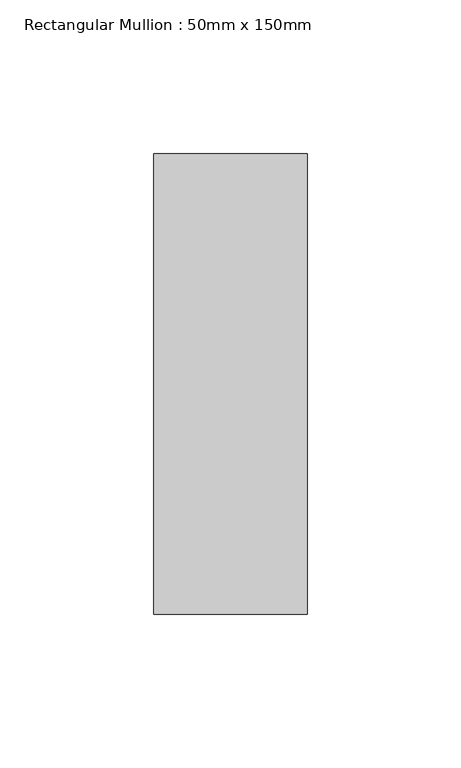
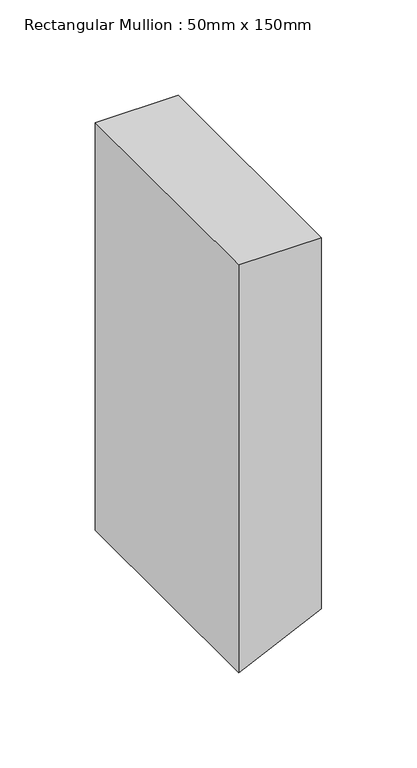
"""IFC4 building model written with IfcOpenShell, lengths in millimetres: member geometry, Rectangular Mullion : 50mm x 150mm."""

from ifc_helpers import new_model, si_unit, frame, origin, place, context, project, spatial, polyline, outline, extrude, source, transform, mapped, element, save


def rectangular_mullion_50mm_x_150mm_da8715eb(model_context):
    return source(origin(), model_context, "Body", "SweptSolid", [
        extrude(outline(polyline([(0.0, 25.0), (0.0, -25.0), (-260.7688064, -25.0), (-258.9323098, -21.0411824), (-237.5737922, 25.0), (0.0, 25.0)])), frame((0.0, -75.0, 0.0), z_axis=(0.0, 1.0, 0.0), x_axis=(0.0, 0.0, 1.0)), (0.0, 0.0, 1.0), 150.0),
    ])


if __name__ == "__main__":
    model = new_model("IFC4")
    model_context = context("Model", 3, world=origin())
    ifc_project = project(units=[si_unit("LENGTHUNIT", "METRE", prefix="MILLI")], contexts=[model_context])
    site = spatial("IfcSite", under=ifc_project)
    building = spatial("IfcBuilding", under=site)
    placement = place(None, origin())
    rectangular_mullion_50mm_x_150mm_shape = rectangular_mullion_50mm_x_150mm_da8715eb(model_context)
    element("IfcMember", 1, ObjectType="Rectangular Mullion : 50mm x 150mm", at=placement, inside=building, context=model_context, shape_type="MappedRepresentation", body=[
        mapped(rectangular_mullion_50mm_x_150mm_shape, transform((0.0, 0.0, 0.0), x_axis=(1.0, 0.0, 0.0), y_axis=(0.0, 1.0, 0.0), z_axis=(0.0, 0.0, 1.0))),
    ])
    save(model, "model.ifc")
